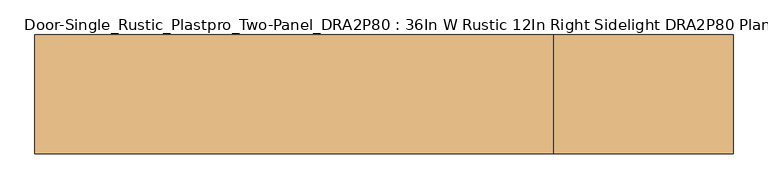
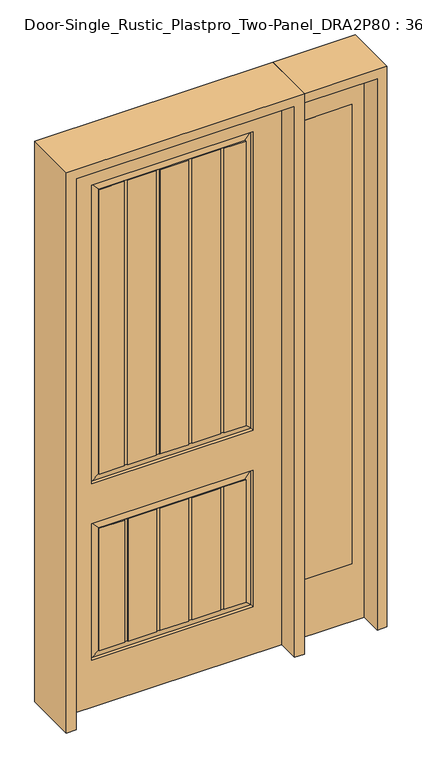
"""IFC4 building model written with IfcOpenShell, lengths in millimetres: door geometry, Door-Single_Rustic_Plastpro_Two-Panel_DRA2P80 : 36In W Rustic 12In Right Sidelight DRA2P80 Plank 96In."""

import ifcopenshell
import ifcopenshell.guid

model = None  # the IFC model being written
_history = None  # IfcOwnerHistory: only IFC2X3 demands one
_inside = {}  # id of a spatial element -> (the spatial element, [elements in it])
_under = {}  # id of a project, library or spatial element -> (it, [spatial elements below it])
_declared = {}  # id of a project -> (the project, [libraries it declares])
_typed = {}  # id of a type object -> (the type object, [elements of that type])
_made_of = {}  # id of a material, layer set ... -> (it, [elements and type objects made of it])


def new_model(schema):
    """Start an empty IFC model of exactly this schema.

    Asked for "IFC4X3", IfcOpenShell would pick the latest addendum, in which some entities
    have other attributes; the version numbers below select the first issue.
    IFC2X3 requires an IfcOwnerHistory on every rooted entity: one is made here for all.
    """
    global model, _history
    if schema == "IFC4X3":
        model = ifcopenshell.file(schema_version=(4, 3, 0, 0))
    else:
        model = ifcopenshell.file(schema=schema)
    _inside.clear()
    _under.clear()
    _declared.clear()
    _typed.clear()
    _made_of.clear()
    _history = None
    if model.schema == "IFC2X3":
        org = make("IfcOrganization", Name="unknown")
        user = make(
            "IfcPersonAndOrganization",
            ThePerson=make("IfcPerson", FamilyName="unknown"),
            TheOrganization=org,
        )
        app = make(
            "IfcApplication",
            ApplicationDeveloper=org,
            Version="unknown",
            ApplicationFullName="unknown",
            ApplicationIdentifier="unknown",
        )
        _history = make(
            "IfcOwnerHistory",
            OwningUser=user,
            OwningApplication=app,
            ChangeAction="ADDED",
            CreationDate=0,
        )
    return model


def make(cls, **values):
    """One entity of the class cls with the attributes given. An attribute that is None is left unset."""
    return model.create_entity(
        cls, **{name: value for name, value in values.items() if value is not None}
    )


def rooted(cls, **values):
    """An entity with a GlobalId (a new one), such as an element, a storey or a relation."""
    return make(cls, GlobalId=ifcopenshell.guid.new(), OwnerHistory=_history, **values)


def si_unit(unit_type, name, prefix=None):
    """IfcSIUnit, for example si_unit("LENGTHUNIT", "METRE", prefix="MILLI")."""
    return make("IfcSIUnit", UnitType=unit_type, Prefix=prefix, Name=name)


def assignment(units):
    """IfcUnitAssignment: the units of a project."""
    return None if units is None else make("IfcUnitAssignment", Units=units)


def point(xyz):
    """IfcCartesianPoint."""
    return None if xyz is None else make("IfcCartesianPoint", Coordinates=xyz)


def direction(xyz):
    """IfcDirection."""
    return None if xyz is None else make("IfcDirection", DirectionRatios=xyz)


def frame(location, z_axis=None, x_axis=None):
    """IfcAxis2Placement3D, a coordinate frame: its origin and axes. An axis left out is left unset."""
    return make(
        "IfcAxis2Placement3D",
        Location=point(location),
        Axis=direction(z_axis),
        RefDirection=direction(x_axis),
    )


def origin():
    """The frame at (0, 0, 0) with its axes left unset."""
    return frame((0.0, 0.0, 0.0))


def place(relative_to, where):
    """IfcLocalPlacement: puts the frame where relative to a parent placement (None: the world)."""
    return make(
        "IfcLocalPlacement", PlacementRelTo=relative_to, RelativePlacement=where
    )


def context(
    kind, dimensions, precision=None, world=None, true_north=None, identifier=None
):
    """IfcGeometricRepresentationContext, for example the 3D "Model" context."""
    return make(
        "IfcGeometricRepresentationContext",
        ContextIdentifier=identifier,
        ContextType=kind,
        CoordinateSpaceDimension=dimensions,
        Precision=precision,
        WorldCoordinateSystem=world,
        TrueNorth=true_north,
    )


def project(units=None, contexts=None):
    """IfcProject with its units and contexts."""
    return rooted(
        "IfcProject",
        Name="project",
        RepresentationContexts=contexts,
        UnitsInContext=assignment(units),
    )


def spatial(cls, under=None, at=None, **own):
    """A site, building, storey or space (cls), placed at a placement, below another one or the project."""
    s = rooted(cls, ObjectPlacement=at, **own)
    if under is not None:
        _under.setdefault(under.id(), (under, []))[1].append(s)
    return s


def polyline(points):
    """IfcPolyline through the points."""
    return make("IfcPolyline", Points=[point(p) for p in points])


def outline(outer, holes=None, kind="AREA"):
    """IfcArbitraryClosedProfileDef: a profile drawn as a closed curve; with holes, ...WithVoids."""
    if holes is None:
        return make("IfcArbitraryClosedProfileDef", ProfileType=kind, OuterCurve=outer)
    return make(
        "IfcArbitraryProfileDefWithVoids",
        ProfileType=kind,
        OuterCurve=outer,
        InnerCurves=holes,
    )


def extrude(swept, where, along, depth):
    """IfcExtrudedAreaSolid: the profile swept, set in the frame where, extruded along a direction by depth."""
    return make(
        "IfcExtrudedAreaSolid",
        SweptArea=swept,
        Position=where,
        ExtrudedDirection=direction(along),
        Depth=depth,
    )


def faces_of(points, faces, orient=None, outer=None):
    """IfcFace entities. A face is a list of loops; a loop is a list of indices into points, from 0.

    orient and outer hold one flag for each loop. By default every Orientation is true, the
    first loop of a face is its IfcFaceOuterBound and the others are IfcFaceBound.
    """
    made = []
    for i, loops in enumerate(faces):
        bounds = []
        for j, loop in enumerate(loops):
            is_outer = j == 0 if outer is None else outer[i][j]
            bounds.append(
                make(
                    "IfcFaceOuterBound" if is_outer else "IfcFaceBound",
                    Bound=make("IfcPolyLoop", Polygon=[points[k] for k in loop]),
                    Orientation=True if orient is None else orient[i][j],
                )
            )
        made.append(make("IfcFace", Bounds=bounds))
    return made


def faceted_brep(points, faces, orient=None, outer=None, voids=None):
    """IfcFacetedBrep: a solid bounded by flat faces; with voids (closed shells), ...WithVoids."""
    shared = [point(p) for p in points]
    hull = make("IfcClosedShell", CfsFaces=faces_of(shared, faces, orient, outer))
    if voids is None:
        return make("IfcFacetedBrep", Outer=hull)
    return make(
        "IfcFacetedBrepWithVoids",
        Outer=hull,
        Voids=[
            make(cls, CfsFaces=faces_of(shared, fs, o, b)) for cls, fs, o, b in voids
        ],
    )


def shape(context_of_items, identifier, shape_type, items):
    """IfcShapeRepresentation: the items that make up one representation, for example the "Body"."""
    return make(
        "IfcShapeRepresentation",
        ContextOfItems=context_of_items,
        RepresentationIdentifier=identifier,
        RepresentationType=shape_type,
        Items=items,
    )


def source(mapping_origin, context_of_items, identifier, shape_type, items):
    """IfcRepresentationMap: a shape defined once, which mapped items show again and again."""
    return make(
        "IfcRepresentationMap",
        MappingOrigin=mapping_origin,
        MappedRepresentation=shape(context_of_items, identifier, shape_type, items),
    )


def transform(
    local_origin,
    x_axis=None,
    y_axis=None,
    z_axis=None,
    scale=None,
    scale2=None,
    scale3=None,
    uniform=True,
):
    """IfcCartesianTransformationOperator3D, or its non-uniform kind. x_axis, y_axis, z_axis: its Axis1, 2, 3."""
    if uniform:
        return make(
            "IfcCartesianTransformationOperator3D",
            Axis1=direction(x_axis),
            Axis2=direction(y_axis),
            LocalOrigin=point(local_origin),
            Scale=scale,
            Axis3=direction(z_axis),
        )
    return make(
        "IfcCartesianTransformationOperator3DnonUniform",
        Axis1=direction(x_axis),
        Axis2=direction(y_axis),
        LocalOrigin=point(local_origin),
        Scale=scale,
        Axis3=direction(z_axis),
        Scale2=scale2,
        Scale3=scale3,
    )


def mapped(mapping_source, mapping_target):
    """IfcMappedItem: shows the shape of a source again, moved by a transform."""
    return make(
        "IfcMappedItem", MappingSource=mapping_source, MappingTarget=mapping_target
    )


def made_of(thing, what):
    """Note that an element or type object is made of a material, layer set ...; save() writes the relation."""
    if what is not None:
        _made_of.setdefault(what.id(), (what, []))[1].append(thing)
    return thing


def element(
    cls,
    number,
    at=None,
    inside=None,
    cuts=None,
    type_object=None,
    material=None,
    context=None,
    identifier="Body",
    shape_type=None,
    held_by="IfcProductDefinitionShape",
    body=None,
    shapes=None,
    **own,
):
    """One element of the class cls, such as IfcWall. Its Tag is "e" and its number.

    at: its placement. inside: the storey or other place that contains it. cuts: it is an
    opening in that element (IfcRelVoidsElement). A single representation is given by context,
    identifier, shape_type and body (its items); several are given by shapes. held_by: the class
    of the entity that holds the representations. save() writes the other relations.
    """
    e = rooted(cls, Tag="e%d" % number, ObjectPlacement=at, **own)
    if body is not None:
        shapes = [shape(context, identifier, shape_type, body)]
    if shapes is not None:
        e.Representation = make(held_by, Representations=shapes)
    if inside is not None:
        _inside.setdefault(inside.id(), (inside, []))[1].append(e)
    if cuts is not None:
        rooted(
            "IfcRelVoidsElement", RelatingBuildingElement=cuts, RelatedOpeningElement=e
        )
    if type_object is not None:
        _typed.setdefault(type_object.id(), (type_object, []))[1].append(e)
    return made_of(e, material)


def aggregate(whole, parts):
    """IfcRelAggregates: a whole, such as a stair, and the parts it consists of."""
    return rooted("IfcRelAggregates", RelatingObject=whole, RelatedObjects=parts)


def save(model, path):
    """Write the relations noted so far, then the file.

    IfcRelAggregates (storeys below a building ...), IfcRelContainedInSpatialStructure (elements
    in a storey), IfcRelDefinesByType, IfcRelAssociatesMaterial and IfcRelDeclares: one each for
    every whole, place, type object, material and project.
    """
    for whole, parts in _under.values():
        aggregate(whole, parts)
    for where, things in _inside.values():
        rooted(
            "IfcRelContainedInSpatialStructure",
            RelatedElements=things,
            RelatingStructure=where,
        )
    for kind, things in _typed.values():
        rooted("IfcRelDefinesByType", RelatedObjects=things, RelatingType=kind)
    for what, things in _made_of.values():
        rooted("IfcRelAssociatesMaterial", RelatedObjects=things, RelatingMaterial=what)
    for by, libraries in _declared.values():
        rooted("IfcRelDeclares", RelatingContext=by, RelatedDefinitions=libraries)
    model.write(path)


def door_single_rustic_plastpro_two_panel_dra2p80_36in_w_rustic_072f1e40(model_context):
    return source(origin(), model_context, "Body", "SolidModel", [
        extrude(outline(polyline([(0.0, 803.275), (2438.4, 803.275), (2438.4, 498.475), (0.0, 498.475), (0.0, 803.275)]), holes=[polyline([(2286.0, 549.275), (2286.0, 752.475), (254.0, 752.475), (254.0, 549.275), (2286.0, 549.275)])]), frame((0.0, -20.6375, 0.0), z_axis=(0.0, 1.0, 0.0), x_axis=(0.0, 0.0, 1.0)), (0.0, 0.0, 1.0), 41.275),
        extrude(outline(polyline([(549.275, -20.6375), (549.275, 20.6375), (752.475, 20.6375), (752.475, -20.6375), (549.275, -20.6375)])), frame((0.0, 0.0, 254.0), z_axis=(0.0, 0.0, 1.0), x_axis=(1.0, 0.0, 0.0)), (0.0, 0.0, 1.0), 2032.0),
        faceted_brep([(457.2, 20.6375, 0.0), (-457.2, 20.6375, 0.0), (-457.2, 20.6375, 2438.4), (457.2, 20.6375, 2438.4), (-338.1375, 20.6375, 990.6), (338.1375, 20.6375, 990.6), (338.1375, 20.6375, 2311.4), (-338.1375, 20.6375, 2311.4), (-338.1375, 20.6375, 209.55), (338.1375, 20.6375, 209.55), (338.1375, 20.6375, 812.8), (-338.1375, 20.6375, 812.8), (201.36158, 20.6375, 781.59283), (201.36158, 20.6375, 240.75717), (82.4002142, 20.6375, 240.75717), (82.4002142, 20.6375, 781.59283), (216.6412675, 20.6375, 240.75717), (216.6412675, 20.6375, 781.59283), (306.93033, 20.6375, 781.59283), (306.93033, 20.6375, 240.75717), (-67.1205267, 20.6375, 781.59283), (-67.1205267, 20.6375, 240.75717), (-186.0818925, 20.6375, 240.75717), (-186.0818925, 20.6375, 781.59283), (-51.8408392, 20.6375, 240.75717), (-51.8408392, 20.6375, 781.59283), (67.1205267, 20.6375, 781.59283), (67.1205267, 20.6375, 240.75717), (201.36158, 20.6375, 2280.19283), (201.36158, 20.6375, 1021.80717), (82.4002142, 20.6375, 1021.80717), (82.4002142, 20.6375, 2280.19283), (216.6412675, 20.6375, 1021.80717), (216.6412675, 20.6375, 2280.19283), (306.93033, 20.6375, 2280.19283), (306.93033, 20.6375, 1021.80717), (-67.1205267, 20.6375, 2280.19283), (-67.1205267, 20.6375, 1021.80717), (-186.0818925, 20.6375, 1021.80717), (-186.0818925, 20.6375, 2280.19283), (-51.8408392, 20.6375, 1021.80717), (-51.8408392, 20.6375, 2280.19283), (67.1205267, 20.6375, 2280.19283), (67.1205267, 20.6375, 1021.80717), (-201.36158, 20.6375, 2280.19283), (-201.36158, 20.6375, 1021.80717), (-306.93033, 20.6375, 1021.80717), (-306.93033, 20.6375, 2280.19283), (-201.36158, 20.6375, 781.59283), (-201.36158, 20.6375, 240.75717), (-306.93033, 20.6375, 240.75717), (-306.93033, 20.6375, 781.59283), (457.2, -20.6375, 0.0), (-457.2, -20.6375, 0.0), (-457.2, -20.6375, 2438.4), (457.2, -20.6375, 2438.4), (338.1375, -20.6375, 990.6), (-338.1375, -20.6375, 990.6), (-338.1375, -20.6375, 2311.4), (338.1375, -20.6375, 2311.4), (338.1375, -20.6375, 209.55), (-338.1375, -20.6375, 209.55), (-338.1375, -20.6375, 812.8), (338.1375, -20.6375, 812.8), (201.36158, -20.6375, 240.75717), (201.36158, -20.6375, 781.59283), (82.4002142, -20.6375, 781.59283), (82.4002142, -20.6375, 240.75717), (216.6412675, -20.6375, 781.59283), (216.6412675, -20.6375, 240.75717), (306.93033, -20.6375, 240.75717), (306.93033, -20.6375, 781.59283), (-67.1205267, -20.6375, 240.75717), (-67.1205267, -20.6375, 781.59283), (-186.0818925, -20.6375, 781.59283), (-186.0818925, -20.6375, 240.75717), (-51.8408392, -20.6375, 781.59283), (-51.8408392, -20.6375, 240.75717), (67.1205267, -20.6375, 240.75717), (67.1205267, -20.6375, 781.59283), (201.36158, -20.6375, 1021.80717), (201.36158, -20.6375, 2280.19283), (82.005985, -20.6375, 2280.19283), (82.005985, -20.6375, 1021.80717), (216.6412675, -20.6375, 2280.19283), (216.6412675, -20.6375, 1021.80717), (306.93033, -20.6375, 1021.80717), (306.93033, -20.6375, 2280.19283), (-67.908985, -20.6375, 1021.80717), (-67.908985, -20.6375, 2280.19283), (-187.26458, -20.6375, 2280.19283), (-187.26458, -20.6375, 1021.80717), (-52.6292975, -20.6375, 2280.19283), (-52.6292975, -20.6375, 1021.80717), (66.7262975, -20.6375, 1021.80717), (66.7262975, -20.6375, 2280.19283), (-202.5442675, -20.6375, 1021.80717), (-202.5442675, -20.6375, 2280.19283), (-306.93033, -20.6375, 2280.19283), (-306.93033, -20.6375, 1021.80717), (-201.36158, -20.6375, 240.75717), (-201.36158, -20.6375, 781.59283), (-306.93033, -20.6375, 781.59283), (-306.93033, -20.6375, 240.75717), (201.36158, 17.4625, 781.59283), (201.36158, 17.4625, 240.75717), (82.4002142, 17.4625, 240.75717), (82.4002142, 17.4625, 781.59283), (216.6412675, 17.4625, 240.75717), (216.6412675, 17.4625, 781.59283), (-67.1205267, 17.4625, 781.59283), (-67.1205267, 17.4625, 240.75717), (-51.8408392, 17.4625, 240.75717), (-51.8408392, 17.4625, 781.59283), (67.1205267, 17.4625, 781.59283), (67.1205267, 17.4625, 240.75717), (201.36158, 17.4625, 2280.19283), (201.36158, 17.4625, 1021.80717), (82.4002142, 17.4625, 1021.80717), (82.4002142, 17.4625, 2280.19283), (216.6412675, 17.4625, 1021.80717), (216.6412675, 17.4625, 2280.19283), (-67.1205267, 17.4625, 2280.19283), (-67.1205267, 17.4625, 1021.80717), (-51.8408392, 17.4625, 1021.80717), (-51.8408392, 17.4625, 2280.19283), (67.1205267, 17.4625, 2280.19283), (67.1205267, 17.4625, 1021.80717), (201.36158, -17.4625, 240.75717), (201.36158, -17.4625, 781.59283), (82.4002142, -17.4625, 781.59283), (82.4002142, -17.4625, 240.75717), (216.6412675, -17.4625, 781.59283), (216.6412675, -17.4625, 240.75717), (-67.1205267, -17.4625, 240.75717), (-67.1205267, -17.4625, 781.59283), (-51.8408392, -17.4625, 781.59283), (-51.8408392, -17.4625, 240.75717), (67.1205267, -17.4625, 240.75717), (67.1205267, -17.4625, 781.59283), (201.36158, -17.4625, 1021.80717), (201.36158, -17.4625, 2280.19283), (82.005985, -17.4625, 2280.19283), (82.005985, -17.4625, 1021.80717), (216.6412675, -17.4625, 2280.19283), (216.6412675, -17.4625, 1021.80717), (-67.908985, -17.4625, 1021.80717), (-67.908985, -17.4625, 2280.19283), (-52.6292975, -17.4625, 2280.19283), (-52.6292975, -17.4625, 1021.80717), (66.7262975, -17.4625, 1021.80717), (66.7262975, -17.4625, 2280.19283), (306.93033, 16.4079106, 240.75717), (-306.93033, 16.4079106, 240.75717), (-201.36158, 17.4625, 240.75717), (-186.0818925, 17.4625, 240.75717), (306.93033, 16.4079106, 781.59283), (-186.0818925, 17.4625, 781.59283), (-201.36158, 17.4625, 781.59283), (-306.93033, 16.4079106, 781.59283), (306.93033, 16.4079106, 1021.80717), (-306.93033, 16.4079106, 1021.80717), (-201.36158, 17.4625, 1021.80717), (-186.0818925, 17.4625, 1021.80717), (306.93033, 16.4079106, 2280.19283), (-186.0818925, 17.4625, 2280.19283), (-333.918693, 11.1619043, 994.818807), (333.918693, 11.1619043, 994.818807), (333.918693, 11.1619043, 2307.181193), (-333.918693, 11.1619043, 2307.181193), (-333.918693, 11.1619043, 213.768807), (333.918693, 11.1619043, 213.768807), (333.918693, 11.1619043, 808.581193), (-333.918693, 11.1619043, 808.581193), (-201.36158, 17.4625, 2280.19283), (-306.93033, 16.4079106, 2280.19283), (306.93033, -16.4079106, 781.59283), (-306.93033, -16.4079106, 781.59283), (-201.36158, -17.4625, 781.59283), (-186.0818925, -17.4625, 781.59283), (-306.93033, -16.4079106, 240.75717), (306.93033, -16.4079106, 240.75717), (-186.0818925, -17.4625, 240.75717), (-201.36158, -17.4625, 240.75717), (-306.93033, -16.4079106, 1021.80717), (306.93033, -16.4079106, 1021.80717), (-187.26458, -17.4625, 1021.80717), (-202.5442675, -17.4625, 1021.80717), (306.93033, -16.4079106, 2280.19283), (-187.26458, -17.4625, 2280.19283), (333.918693, -11.1619043, 994.818807), (-333.918693, -11.1619043, 994.818807), (-333.918693, -11.1619043, 2307.181193), (333.918693, -11.1619043, 2307.181193), (333.918693, -11.1619043, 213.768807), (-333.918693, -11.1619043, 213.768807), (-333.918693, -11.1619043, 808.581193), (333.918693, -11.1619043, 808.581193), (-202.5442675, -17.4625, 2280.19283), (-306.93033, -16.4079106, 2280.19283)], [[[0, 1, 2, 3], [4, 5, 6, 7], [8, 9, 10, 11]], [[12, 13, 14, 15]], [[16, 17, 18, 19]], [[20, 21, 22, 23]], [[24, 25, 26, 27]], [[28, 29, 30, 31]], [[32, 33, 34, 35]], [[36, 37, 38, 39]], [[40, 41, 42, 43]], [[44, 45, 46, 47]], [[48, 49, 50, 51]], [[1, 0, 52, 53]], [[2, 1, 53, 54]], [[0, 3, 55, 52]], [[53, 52, 55, 54], [56, 57, 58, 59], [60, 61, 62, 63]], [[64, 65, 66, 67]], [[68, 69, 70, 71]], [[72, 73, 74, 75]], [[76, 77, 78, 79]], [[80, 81, 82, 83]], [[84, 85, 86, 87]], [[88, 89, 90, 91]], [[92, 93, 94, 95]], [[96, 97, 98, 99]], [[100, 101, 102, 103]], [[3, 2, 54, 55]], [[13, 12, 104, 105]], [[15, 14, 106, 107]], [[17, 16, 108, 109]], [[21, 20, 110, 111]], [[25, 24, 112, 113]], [[27, 26, 114, 115]], [[29, 28, 116, 117]], [[31, 30, 118, 119]], [[33, 32, 120, 121]], [[37, 36, 122, 123]], [[41, 40, 124, 125]], [[43, 42, 126, 127]], [[65, 64, 128, 129]], [[67, 66, 130, 131]], [[69, 68, 132, 133]], [[73, 72, 134, 135]], [[77, 76, 136, 137]], [[79, 78, 138, 139]], [[81, 80, 140, 141]], [[83, 82, 142, 143]], [[85, 84, 144, 145]], [[89, 88, 146, 147]], [[93, 92, 148, 149]], [[95, 94, 150, 151]], [[129, 128, 133, 132]], [[135, 134, 137, 136]], [[139, 138, 131, 130]], [[105, 104, 109, 108]], [[111, 110, 113, 112]], [[115, 114, 107, 106]], [[141, 140, 145, 144]], [[147, 146, 149, 148]], [[151, 150, 143, 142]], [[117, 116, 121, 120]], [[123, 122, 125, 124]], [[127, 126, 119, 118]], [[152, 153, 50, 49, 154, 155, 22, 21, 111, 112, 24, 27, 115, 106, 14, 13, 105, 108, 16, 19]], [[156, 18, 17, 109, 104, 12, 15, 107, 114, 26, 25, 113, 110, 20, 23, 157, 158, 48, 51, 159]], [[152, 19, 18, 156]], [[23, 22, 155, 157]], [[160, 161, 46, 45, 162, 163, 38, 37, 123, 124, 40, 43, 127, 118, 30, 29, 117, 120, 32, 35]], [[160, 35, 34, 164]], [[39, 38, 163, 165]], [[166, 167, 5, 4]], [[5, 167, 168, 6]], [[166, 4, 7, 169]], [[170, 171, 9, 8]], [[9, 171, 172, 10]], [[10, 172, 173, 11]], [[170, 8, 11, 173]], [[45, 44, 174, 162]], [[46, 161, 175, 47]], [[49, 48, 158, 154]], [[50, 153, 159, 51]], [[71, 176, 177, 102, 101, 178, 179, 74, 73, 135, 136, 76, 79, 139, 130, 66, 65, 129, 132, 68]], [[180, 181, 70, 69, 133, 128, 64, 67, 131, 138, 78, 77, 137, 134, 72, 75, 182, 183, 100, 103]], [[70, 181, 176, 71]], [[75, 74, 179, 182]], [[184, 185, 86, 85, 145, 140, 80, 83, 143, 150, 94, 93, 149, 146, 88, 91, 186, 187, 96, 99]], [[86, 185, 188, 87]], [[91, 90, 189, 186]], [[56, 190, 191, 57]], [[57, 191, 192, 58]], [[190, 56, 59, 193]], [[60, 194, 195, 61]], [[61, 195, 196, 62]], [[197, 63, 62, 196]], [[194, 60, 63, 197]], [[97, 96, 187, 198]], [[184, 99, 98, 199]], [[101, 100, 183, 178]], [[180, 103, 102, 177]], [[191, 190, 185, 184]], [[198, 187, 186, 189]], [[185, 190, 193, 188]], [[191, 184, 199, 192]], [[161, 160, 167, 166]], [[167, 160, 164, 168]], [[161, 166, 169, 175]], [[162, 174, 165, 163]], [[195, 194, 181, 180]], [[178, 183, 182, 179]], [[181, 194, 197, 176]], [[195, 180, 177, 196]], [[153, 152, 171, 170]], [[171, 152, 156, 172]], [[153, 170, 173, 159]], [[154, 158, 157, 155]], [[176, 197, 196, 177]], [[172, 156, 159, 173]], [[6, 168, 169, 7]], [[193, 59, 58, 192]], [[188, 193, 192, 199]], [[168, 164, 175, 169]], [[87, 188, 199, 98, 97, 198, 189, 90, 89, 147, 148, 92, 95, 151, 142, 82, 81, 141, 144, 84]], [[164, 34, 33, 121, 116, 28, 31, 119, 126, 42, 41, 125, 122, 36, 39, 165, 174, 44, 47, 175]]]),
        extrude(outline(polyline([(2479.675, -498.475), (0.0, -498.475), (0.0, -457.2), (2438.4, -457.2), (2438.4, 457.2), (0.0, 457.2), (0.0, 498.475), (2479.675, 498.475), (2479.675, -498.475)])), frame((0.0, -114.3, 0.0), z_axis=(0.0, 1.0, 0.0), x_axis=(0.0, 0.0, 1.0)), (0.0, 0.0, 1.0), 228.6),
        extrude(outline(polyline([(0.0, 803.275), (0.0, 844.55), (2479.675, 844.55), (2479.675, 498.475), (2438.4, 498.475), (2438.4, 803.275), (0.0, 803.275)])), frame((0.0, -114.3, 0.0), z_axis=(0.0, 1.0, 0.0), x_axis=(0.0, 0.0, 1.0)), (0.0, 0.0, 1.0), 228.6),
    ])


if __name__ == "__main__":
    model = new_model("IFC4")
    model_context = context("Model", 3, world=origin())
    ifc_project = project(units=[si_unit("LENGTHUNIT", "METRE", prefix="MILLI")], contexts=[model_context])
    site = spatial("IfcSite", under=ifc_project)
    building = spatial("IfcBuilding", under=site)
    placement = place(None, origin())
    door_single_rustic_plastpro_two_panel_dra2p80_36in_w_rustic_shape = door_single_rustic_plastpro_two_panel_dra2p80_36in_w_rustic_072f1e40(model_context)
    element("IfcDoor", 1, ObjectType="Door-Single_Rustic_Plastpro_Two-Panel_DRA2P80 : 36In W Rustic 12In Right Sidelight DRA2P80 Plank 96In", at=placement, inside=building, context=model_context, shape_type="MappedRepresentation", body=[
        mapped(door_single_rustic_plastpro_two_panel_dra2p80_36in_w_rustic_shape, transform((0.0, 0.0, 0.0), x_axis=(1.0, 0.0, 0.0), y_axis=(0.0, 1.0, 0.0), z_axis=(0.0, 0.0, 1.0))),
    ])
    save(model, "model.ifc")
